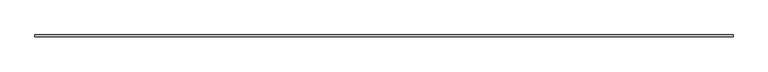
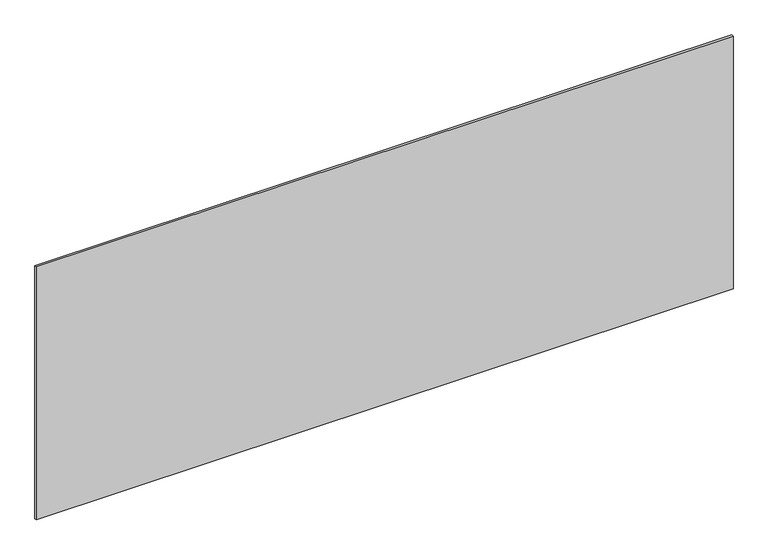
"""IFC4 building model written with IfcOpenShell, lengths in millimetres: plate geometry."""

import ifcopenshell
import ifcopenshell.guid

model = None  # the IFC model being written
_history = None  # IfcOwnerHistory: only IFC2X3 demands one
_inside = {}  # id of a spatial element -> (the spatial element, [elements in it])
_under = {}  # id of a project, library or spatial element -> (it, [spatial elements below it])
_declared = {}  # id of a project -> (the project, [libraries it declares])
_typed = {}  # id of a type object -> (the type object, [elements of that type])
_made_of = {}  # id of a material, layer set ... -> (it, [elements and type objects made of it])


def new_model(schema):
    """Start an empty IFC model of exactly this schema.

    Asked for "IFC4X3", IfcOpenShell would pick the latest addendum, in which some entities
    have other attributes; the version numbers below select the first issue.
    IFC2X3 requires an IfcOwnerHistory on every rooted entity: one is made here for all.
    """
    global model, _history
    if schema == "IFC4X3":
        model = ifcopenshell.file(schema_version=(4, 3, 0, 0))
    else:
        model = ifcopenshell.file(schema=schema)
    _inside.clear()
    _under.clear()
    _declared.clear()
    _typed.clear()
    _made_of.clear()
    _history = None
    if model.schema == "IFC2X3":
        org = make("IfcOrganization", Name="unknown")
        user = make(
            "IfcPersonAndOrganization",
            ThePerson=make("IfcPerson", FamilyName="unknown"),
            TheOrganization=org,
        )
        app = make(
            "IfcApplication",
            ApplicationDeveloper=org,
            Version="unknown",
            ApplicationFullName="unknown",
            ApplicationIdentifier="unknown",
        )
        _history = make(
            "IfcOwnerHistory",
            OwningUser=user,
            OwningApplication=app,
            ChangeAction="ADDED",
            CreationDate=0,
        )
    return model


def make(cls, **values):
    """One entity of the class cls with the attributes given. An attribute that is None is left unset."""
    return model.create_entity(
        cls, **{name: value for name, value in values.items() if value is not None}
    )


def rooted(cls, **values):
    """An entity with a GlobalId (a new one), such as an element, a storey or a relation."""
    return make(cls, GlobalId=ifcopenshell.guid.new(), OwnerHistory=_history, **values)


def si_unit(unit_type, name, prefix=None):
    """IfcSIUnit, for example si_unit("LENGTHUNIT", "METRE", prefix="MILLI")."""
    return make("IfcSIUnit", UnitType=unit_type, Prefix=prefix, Name=name)


def assignment(units):
    """IfcUnitAssignment: the units of a project."""
    return None if units is None else make("IfcUnitAssignment", Units=units)


def point(xyz):
    """IfcCartesianPoint."""
    return None if xyz is None else make("IfcCartesianPoint", Coordinates=xyz)


def direction(xyz):
    """IfcDirection."""
    return None if xyz is None else make("IfcDirection", DirectionRatios=xyz)


def frame(location, z_axis=None, x_axis=None):
    """IfcAxis2Placement3D, a coordinate frame: its origin and axes. An axis left out is left unset."""
    return make(
        "IfcAxis2Placement3D",
        Location=point(location),
        Axis=direction(z_axis),
        RefDirection=direction(x_axis),
    )


def origin():
    """The frame at (0, 0, 0) with its axes left unset."""
    return frame((0.0, 0.0, 0.0))


def origin_with_axes():
    """The frame at (0, 0, 0) with the z axis (0, 0, 1) and the x axis (1, 0, 0) written out."""
    return frame((0.0, 0.0, 0.0), z_axis=(0.0, 0.0, 1.0), x_axis=(1.0, 0.0, 0.0))


def place(relative_to, where):
    """IfcLocalPlacement: puts the frame where relative to a parent placement (None: the world)."""
    return make(
        "IfcLocalPlacement", PlacementRelTo=relative_to, RelativePlacement=where
    )


def context(
    kind, dimensions, precision=None, world=None, true_north=None, identifier=None
):
    """IfcGeometricRepresentationContext, for example the 3D "Model" context."""
    return make(
        "IfcGeometricRepresentationContext",
        ContextIdentifier=identifier,
        ContextType=kind,
        CoordinateSpaceDimension=dimensions,
        Precision=precision,
        WorldCoordinateSystem=world,
        TrueNorth=true_north,
    )


def project(units=None, contexts=None):
    """IfcProject with its units and contexts."""
    return rooted(
        "IfcProject",
        Name="project",
        RepresentationContexts=contexts,
        UnitsInContext=assignment(units),
    )


def spatial(cls, under=None, at=None, **own):
    """A site, building, storey or space (cls), placed at a placement, below another one or the project."""
    s = rooted(cls, ObjectPlacement=at, **own)
    if under is not None:
        _under.setdefault(under.id(), (under, []))[1].append(s)
    return s


def polyline(points):
    """IfcPolyline through the points."""
    return make("IfcPolyline", Points=[point(p) for p in points])


def outline(outer, holes=None, kind="AREA"):
    """IfcArbitraryClosedProfileDef: a profile drawn as a closed curve; with holes, ...WithVoids."""
    if holes is None:
        return make("IfcArbitraryClosedProfileDef", ProfileType=kind, OuterCurve=outer)
    return make(
        "IfcArbitraryProfileDefWithVoids",
        ProfileType=kind,
        OuterCurve=outer,
        InnerCurves=holes,
    )


def extrude(swept, where, along, depth):
    """IfcExtrudedAreaSolid: the profile swept, set in the frame where, extruded along a direction by depth."""
    return make(
        "IfcExtrudedAreaSolid",
        SweptArea=swept,
        Position=where,
        ExtrudedDirection=direction(along),
        Depth=depth,
    )


def shape(context_of_items, identifier, shape_type, items):
    """IfcShapeRepresentation: the items that make up one representation, for example the "Body"."""
    return make(
        "IfcShapeRepresentation",
        ContextOfItems=context_of_items,
        RepresentationIdentifier=identifier,
        RepresentationType=shape_type,
        Items=items,
    )


def source(mapping_origin, context_of_items, identifier, shape_type, items):
    """IfcRepresentationMap: a shape defined once, which mapped items show again and again."""
    return make(
        "IfcRepresentationMap",
        MappingOrigin=mapping_origin,
        MappedRepresentation=shape(context_of_items, identifier, shape_type, items),
    )


def transform(
    local_origin,
    x_axis=None,
    y_axis=None,
    z_axis=None,
    scale=None,
    scale2=None,
    scale3=None,
    uniform=True,
):
    """IfcCartesianTransformationOperator3D, or its non-uniform kind. x_axis, y_axis, z_axis: its Axis1, 2, 3."""
    if uniform:
        return make(
            "IfcCartesianTransformationOperator3D",
            Axis1=direction(x_axis),
            Axis2=direction(y_axis),
            LocalOrigin=point(local_origin),
            Scale=scale,
            Axis3=direction(z_axis),
        )
    return make(
        "IfcCartesianTransformationOperator3DnonUniform",
        Axis1=direction(x_axis),
        Axis2=direction(y_axis),
        LocalOrigin=point(local_origin),
        Scale=scale,
        Axis3=direction(z_axis),
        Scale2=scale2,
        Scale3=scale3,
    )


def mapped(mapping_source, mapping_target):
    """IfcMappedItem: shows the shape of a source again, moved by a transform."""
    return make(
        "IfcMappedItem", MappingSource=mapping_source, MappingTarget=mapping_target
    )


def made_of(thing, what):
    """Note that an element or type object is made of a material, layer set ...; save() writes the relation."""
    if what is not None:
        _made_of.setdefault(what.id(), (what, []))[1].append(thing)
    return thing


def element(
    cls,
    number,
    at=None,
    inside=None,
    cuts=None,
    type_object=None,
    material=None,
    context=None,
    identifier="Body",
    shape_type=None,
    held_by="IfcProductDefinitionShape",
    body=None,
    shapes=None,
    **own,
):
    """One element of the class cls, such as IfcWall. Its Tag is "e" and its number.

    at: its placement. inside: the storey or other place that contains it. cuts: it is an
    opening in that element (IfcRelVoidsElement). A single representation is given by context,
    identifier, shape_type and body (its items); several are given by shapes. held_by: the class
    of the entity that holds the representations. save() writes the other relations.
    """
    e = rooted(cls, Tag="e%d" % number, ObjectPlacement=at, **own)
    if body is not None:
        shapes = [shape(context, identifier, shape_type, body)]
    if shapes is not None:
        e.Representation = make(held_by, Representations=shapes)
    if inside is not None:
        _inside.setdefault(inside.id(), (inside, []))[1].append(e)
    if cuts is not None:
        rooted(
            "IfcRelVoidsElement", RelatingBuildingElement=cuts, RelatedOpeningElement=e
        )
    if type_object is not None:
        _typed.setdefault(type_object.id(), (type_object, []))[1].append(e)
    return made_of(e, material)


def aggregate(whole, parts):
    """IfcRelAggregates: a whole, such as a stair, and the parts it consists of."""
    return rooted("IfcRelAggregates", RelatingObject=whole, RelatedObjects=parts)


def save(model, path):
    """Write the relations noted so far, then the file.

    IfcRelAggregates (storeys below a building ...), IfcRelContainedInSpatialStructure (elements
    in a storey), IfcRelDefinesByType, IfcRelAssociatesMaterial and IfcRelDeclares: one each for
    every whole, place, type object, material and project.
    """
    for whole, parts in _under.values():
        aggregate(whole, parts)
    for where, things in _inside.values():
        rooted(
            "IfcRelContainedInSpatialStructure",
            RelatedElements=things,
            RelatingStructure=where,
        )
    for kind, things in _typed.values():
        rooted("IfcRelDefinesByType", RelatedObjects=things, RelatingType=kind)
    for what, things in _made_of.values():
        rooted("IfcRelAssociatesMaterial", RelatedObjects=things, RelatingMaterial=what)
    for by, libraries in _declared.values():
        rooted("IfcRelDeclares", RelatingContext=by, RelatedDefinitions=libraries)
    model.write(path)


def plate_2dcaf8a6(model_context):
    return source(origin(), model_context, "Body", "SweptSolid", [
        extrude(outline(polyline([(1715.0, -5.0), (-1715.0, -5.0), (-1715.0, 5.0), (1715.0, 5.0), (1715.0, -5.0)])), origin_with_axes(), (0.0, 0.0, 1.0), 1315.5633458),
    ])


if __name__ == "__main__":
    model = new_model("IFC4")
    model_context = context("Model", 3, world=origin())
    ifc_project = project(units=[si_unit("LENGTHUNIT", "METRE", prefix="MILLI")], contexts=[model_context])
    site = spatial("IfcSite", under=ifc_project)
    building = spatial("IfcBuilding", under=site)
    placement = place(None, origin())
    plate_shape = plate_2dcaf8a6(model_context)
    element("IfcPlate", 1, at=placement, inside=building, context=model_context, shape_type="MappedRepresentation", body=[
        mapped(plate_shape, transform((0.0, 0.0, 0.0), x_axis=(1.0, 0.0, 0.0), y_axis=(0.0, 1.0, 0.0), z_axis=(0.0, 0.0, 1.0))),
    ])
    save(model, "model.ifc")
